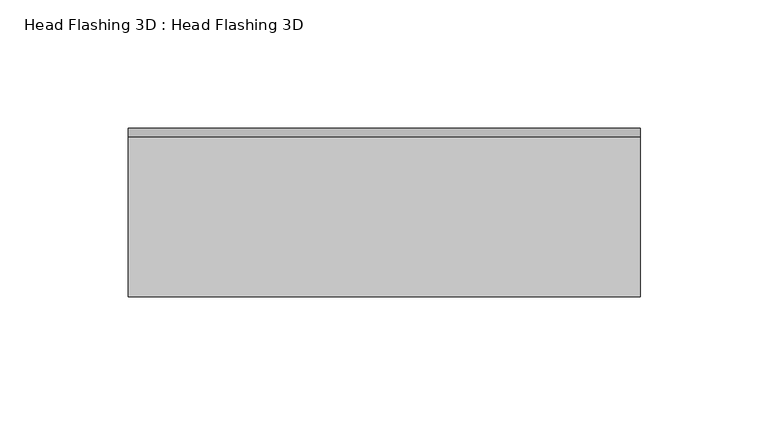
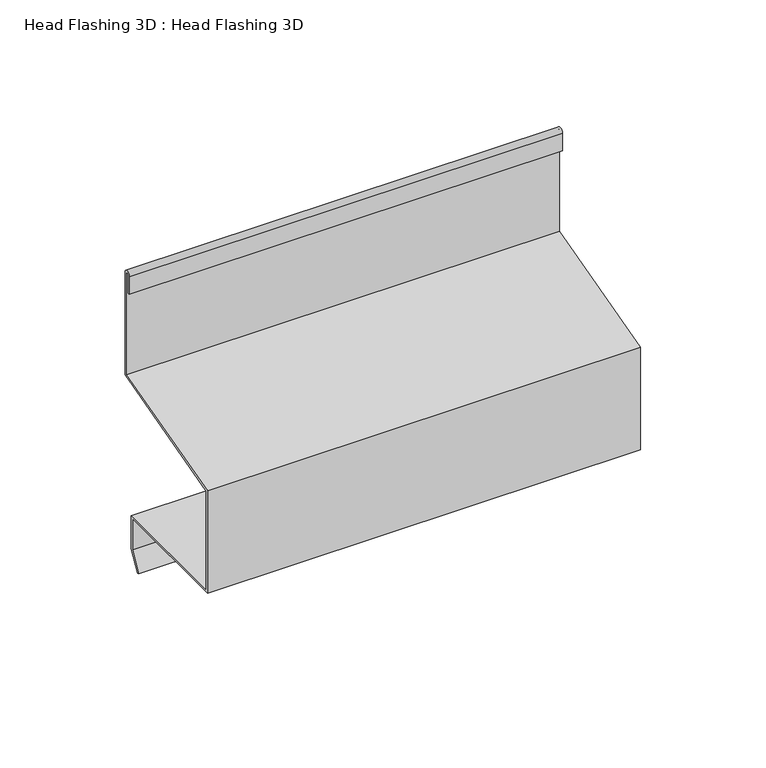
"""IFC4 building model written with IfcOpenShell, lengths in millimetres: proxy geometry, Head Flashing 3D : Head Flashing 3D."""

from ifc_helpers import new_model, si_unit, point, frame, frame_2d, origin, place, context, project, spatial, polyline, circle_curve, trimmed, segment, composite_curve, outline, extrude, source, transform, mapped, element, save


def head_flashing_3d_head_flashing_3d_f5febe72(model_context):
    return source(origin(), model_context, "Body", "SweptSolid", [
        extrude(outline(composite_curve([segment(polyline([(30.9718503, 116.7233904), (30.9718503, 108.0233904), (29.9718503, 108.0233904), (29.9718503, 116.7233904)]), True, "CONTINUOUS"), segment(trimmed(circle_curve(frame_2d((31.7218503, 116.7233904)), 1.75), [point((29.9718503, 116.7233904))], [point((33.4718503, 116.7233904))], False, "CARTESIAN"), True, "CONTINUOUS"), segment(polyline([(33.4718503, 116.7233904), (33.4718503, 66.6342851), (-31.4718503, 49.232673), (-31.4718503, 1.0), (28.5281497, 1.0), (28.5281497, -15.2679492), (23.3941751, -24.160254), (22.5281497, -23.660254), (27.5281497, -15.0), (27.5281497, 0.0), (-32.4718503, 0.0), (-32.4718503, 50.0), (32.4718503, 67.4016121), (32.4718503, 116.7233904)]), True, "CONTINUOUS"), segment(trimmed(circle_curve(frame_2d((31.7218503, 116.7233904)), 0.75), [point((32.4718503, 116.7233904))], [point((30.9718503, 116.7233904))], True, "CARTESIAN"), True, "CONTINUOUS")], self_intersect=False)), frame((-100.0, 0.0, 0.0), z_axis=(1.0, 0.0, 0.0), x_axis=(0.0, 1.0, 0.0)), (0.0, 0.0, 1.0), 200.0),
    ])


if __name__ == "__main__":
    model = new_model("IFC4")
    model_context = context("Model", 3, world=origin())
    ifc_project = project(units=[si_unit("LENGTHUNIT", "METRE", prefix="MILLI")], contexts=[model_context])
    site = spatial("IfcSite", under=ifc_project)
    building = spatial("IfcBuilding", under=site)
    placement = place(None, origin())
    head_flashing_3d_head_flashing_3d_shape = head_flashing_3d_head_flashing_3d_f5febe72(model_context)
    element("IfcBuildingElementProxy", 1, Name="Head Flashing 3D : Head Flashing 3D", ObjectType="Head Flashing 3D : Head Flashing 3D", at=placement, inside=building, context=model_context, shape_type="MappedRepresentation", body=[
        mapped(head_flashing_3d_head_flashing_3d_shape, transform((0.0, 0.0, 0.0), x_axis=(1.0, 0.0, 0.0), y_axis=(0.0, 1.0, 0.0), z_axis=(0.0, 0.0, 1.0))),
    ])
    save(model, "model.ifc")
